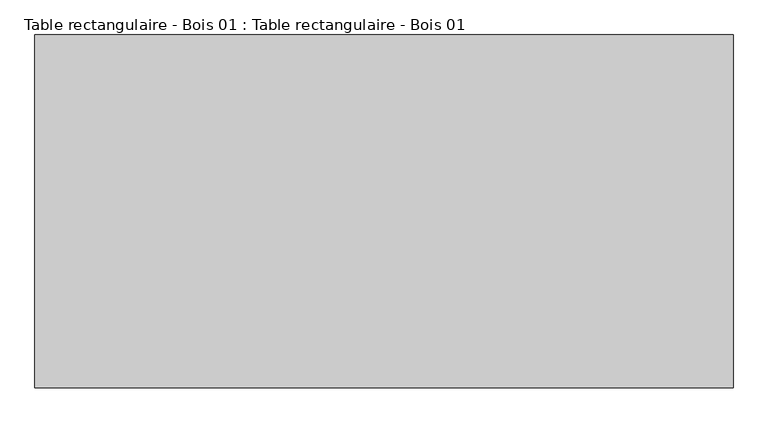
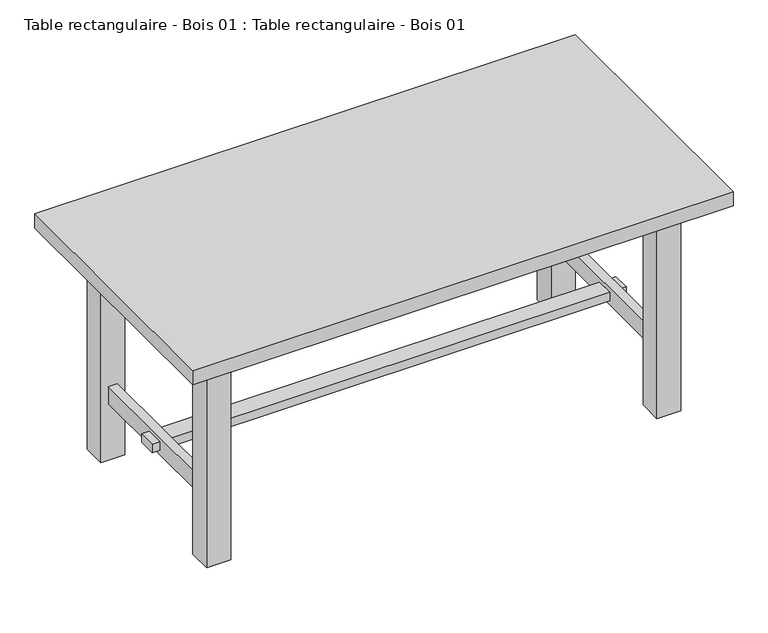
"""IFC4 building model written with IfcOpenShell, lengths in millimetres: furniture geometry, Table rectangulaire - Bois 01 : Table rectangulaire - Bois 01."""

from ifc_helpers import new_model, si_unit, frame, origin, origin_with_axes, place, context, project, spatial, polyline, outline, extrude, faceted_brep, source, transform, mapped, element, save


def table_rectangulaire_bois_01_table_rectangulaire_bois_01_e2ea9ea7(model_context):
    return source(origin(), model_context, "Body", "SolidModel", [
        faceted_brep([(-719.682456, -225.8700593, 260.0), (-719.682456, 304.1299407, 260.0), (-749.682456, 304.1299407, 260.0), (-749.682456, -225.8700593, 260.0), (780.317544, -225.8700593, 260.0), (780.317544, 304.1299407, 260.0), (750.317544, 304.1299407, 260.0), (750.317544, -225.8700593, 260.0), (-719.682456, -225.8700593, 200.0), (-749.682456, -225.8700593, 200.0), (-749.682456, 304.1299407, 200.0), (-719.682456, 304.1299407, 200.0), (780.317544, -225.8700593, 200.0), (750.317544, -225.8700593, 200.0), (750.317544, 304.1299407, 200.0), (780.317544, 304.1299407, 200.0), (-719.682456, 69.1299407, 245.0), (-719.682456, 69.1299407, 215.0), (-719.682456, 9.1299407, 215.0), (-719.682456, 9.1299407, 245.0), (-749.682456, 69.1299407, 215.0), (-749.682456, 69.1299407, 245.0), (-749.682456, 9.1299407, 245.0), (-749.682456, 9.1299407, 215.0), (780.317544, 69.1299407, 245.0), (780.317544, 69.1299407, 215.0), (780.317544, 9.1299407, 215.0), (780.317544, 9.1299407, 245.0), (750.317544, 69.1299407, 215.0), (750.317544, 69.1299407, 245.0), (750.317544, 9.1299407, 245.0), (750.317544, 9.1299407, 215.0), (805.317544, 69.1299407, 215.0), (805.317544, 69.1299407, 245.0), (805.317544, 9.1299407, 245.0), (805.317544, 9.1299407, 215.0), (-774.682456, 69.1299407, 215.0), (-774.682456, 9.1299407, 215.0), (-774.682456, 9.1299407, 245.0), (-774.682456, 69.1299407, 245.0)], [[[0, 1, 2, 3]], [[4, 5, 6, 7]], [[8, 9, 10, 11]], [[12, 13, 14, 15]], [[1, 0, 8, 11], [16, 17, 18, 19]], [[2, 1, 11, 10]], [[3, 2, 10, 9], [20, 21, 22, 23]], [[0, 3, 9, 8]], [[5, 4, 12, 15], [24, 25, 26, 27]], [[6, 5, 15, 14]], [[7, 6, 14, 13], [28, 29, 30, 31]], [[4, 7, 13, 12]], [[32, 33, 34, 35]], [[36, 37, 38, 39]], [[33, 32, 25, 24]], [[36, 39, 21, 20]], [[28, 17, 16, 29]], [[34, 33, 24, 27]], [[39, 38, 22, 21]], [[29, 16, 19, 30]], [[35, 34, 27, 26]], [[38, 37, 23, 22]], [[30, 19, 18, 31]], [[32, 35, 26, 25]], [[37, 36, 20, 23]], [[17, 28, 31, 18]]]),
        extrude(outline(polyline([(725.317544, 359.1299407), (725.317544, 329.1299407), (-694.682456, 329.1299407), (-694.682456, 359.1299407), (725.317544, 359.1299407)])), frame((0.0, 0.0, 670.0), z_axis=(0.0, 0.0, 1.0), x_axis=(1.0, 0.0, 0.0)), (0.0, 0.0, 1.0), 80.0),
        extrude(outline(polyline([(725.317544, -250.8700593), (725.317544, -280.8700593), (-694.682456, -280.8700593), (-694.682456, -250.8700593), (725.317544, -250.8700593)])), frame((0.0, 0.0, 670.0), z_axis=(0.0, 0.0, 1.0), x_axis=(1.0, 0.0, 0.0)), (0.0, 0.0, 1.0), 80.0),
        extrude(outline(polyline([(-719.682456, -225.8700593), (-749.682456, -225.8700593), (-749.682456, 304.1299407), (-719.682456, 304.1299407), (-719.682456, -225.8700593)])), frame((0.0, 0.0, 670.0), z_axis=(0.0, 0.0, 1.0), x_axis=(1.0, 0.0, 0.0)), (0.0, 0.0, 1.0), 80.0),
        extrude(outline(polyline([(780.317544, -225.8700593), (750.317544, -225.8700593), (750.317544, 304.1299407), (780.317544, 304.1299407), (780.317544, -225.8700593)])), frame((0.0, 0.0, 670.0), z_axis=(0.0, 0.0, 1.0), x_axis=(1.0, 0.0, 0.0)), (0.0, 0.0, 1.0), 80.0),
        extrude(outline(polyline([(-694.682456, 304.1299407), (-774.682456, 304.1299407), (-774.682456, 384.1299407), (-694.682456, 384.1299407), (-694.682456, 304.1299407)])), origin_with_axes(), (0.0, 0.0, 1.0), 750.0),
        extrude(outline(polyline([(-774.682456, -225.8700593), (-694.682456, -225.8700593), (-694.682456, -305.8700593), (-774.682456, -305.8700593), (-774.682456, -225.8700593)])), origin_with_axes(), (0.0, 0.0, 1.0), 750.0),
        extrude(outline(polyline([(805.317544, -225.8700593), (805.317544, -305.8700593), (725.317544, -305.8700593), (725.317544, -225.8700593), (805.317544, -225.8700593)])), origin_with_axes(), (0.0, 0.0, 1.0), 750.0),
        extrude(outline(polyline([(805.317544, 304.1299407), (725.317544, 304.1299407), (725.317544, 384.1299407), (805.317544, 384.1299407), (805.317544, 304.1299407)])), origin_with_axes(), (0.0, 0.0, 1.0), 750.0),
        extrude(outline(polyline([(915.317544, 494.1299407), (915.317544, -415.8700593), (-884.682456, -415.8700593), (-884.682456, 494.1299407), (915.317544, 494.1299407)])), frame((0.0, 0.0, 750.0), z_axis=(0.0, 0.0, 1.0), x_axis=(1.0, 0.0, 0.0)), (0.0, 0.0, 1.0), 50.0),
    ])


if __name__ == "__main__":
    model = new_model("IFC4")
    model_context = context("Model", 3, world=origin())
    ifc_project = project(units=[si_unit("LENGTHUNIT", "METRE", prefix="MILLI")], contexts=[model_context])
    site = spatial("IfcSite", under=ifc_project)
    building = spatial("IfcBuilding", under=site)
    placement = place(None, origin())
    table_rectangulaire_bois_01_table_rectangulaire_bois_01_shape = table_rectangulaire_bois_01_table_rectangulaire_bois_01_e2ea9ea7(model_context)
    element("IfcFurniture", 1, ObjectType="Table rectangulaire - Bois 01 : Table rectangulaire - Bois 01", at=placement, inside=building, context=model_context, shape_type="MappedRepresentation", body=[
        mapped(table_rectangulaire_bois_01_table_rectangulaire_bois_01_shape, transform((0.0, 0.0, 0.0), x_axis=(1.0, 0.0, 0.0), y_axis=(0.0, 1.0, 0.0), z_axis=(0.0, 0.0, 1.0))),
    ])
    save(model, "model.ifc")
